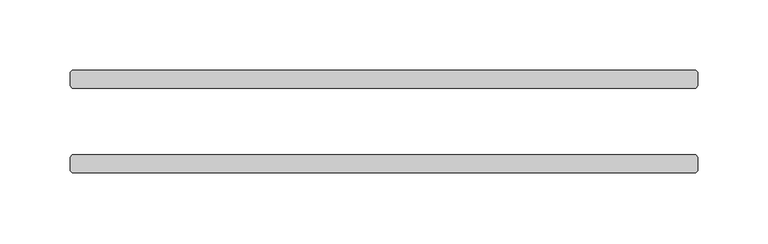
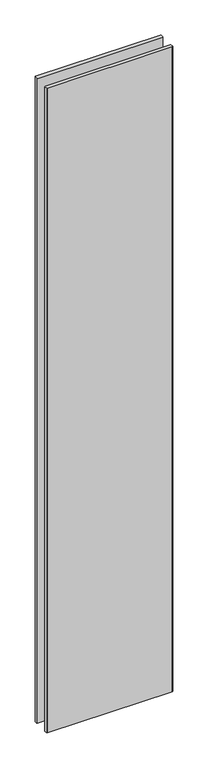
"""IFC4 building model written with IfcOpenShell, lengths in millimetres: plate geometry."""

import ifcopenshell
import ifcopenshell.guid

model = None  # the IFC model being written
_history = None  # IfcOwnerHistory: only IFC2X3 demands one
_inside = {}  # id of a spatial element -> (the spatial element, [elements in it])
_under = {}  # id of a project, library or spatial element -> (it, [spatial elements below it])
_declared = {}  # id of a project -> (the project, [libraries it declares])
_typed = {}  # id of a type object -> (the type object, [elements of that type])
_made_of = {}  # id of a material, layer set ... -> (it, [elements and type objects made of it])


def new_model(schema):
    """Start an empty IFC model of exactly this schema.

    Asked for "IFC4X3", IfcOpenShell would pick the latest addendum, in which some entities
    have other attributes; the version numbers below select the first issue.
    IFC2X3 requires an IfcOwnerHistory on every rooted entity: one is made here for all.
    """
    global model, _history
    if schema == "IFC4X3":
        model = ifcopenshell.file(schema_version=(4, 3, 0, 0))
    else:
        model = ifcopenshell.file(schema=schema)
    _inside.clear()
    _under.clear()
    _declared.clear()
    _typed.clear()
    _made_of.clear()
    _history = None
    if model.schema == "IFC2X3":
        org = make("IfcOrganization", Name="unknown")
        user = make(
            "IfcPersonAndOrganization",
            ThePerson=make("IfcPerson", FamilyName="unknown"),
            TheOrganization=org,
        )
        app = make(
            "IfcApplication",
            ApplicationDeveloper=org,
            Version="unknown",
            ApplicationFullName="unknown",
            ApplicationIdentifier="unknown",
        )
        _history = make(
            "IfcOwnerHistory",
            OwningUser=user,
            OwningApplication=app,
            ChangeAction="ADDED",
            CreationDate=0,
        )
    return model


def make(cls, **values):
    """One entity of the class cls with the attributes given. An attribute that is None is left unset."""
    return model.create_entity(
        cls, **{name: value for name, value in values.items() if value is not None}
    )


def rooted(cls, **values):
    """An entity with a GlobalId (a new one), such as an element, a storey or a relation."""
    return make(cls, GlobalId=ifcopenshell.guid.new(), OwnerHistory=_history, **values)


def si_unit(unit_type, name, prefix=None):
    """IfcSIUnit, for example si_unit("LENGTHUNIT", "METRE", prefix="MILLI")."""
    return make("IfcSIUnit", UnitType=unit_type, Prefix=prefix, Name=name)


def assignment(units):
    """IfcUnitAssignment: the units of a project."""
    return None if units is None else make("IfcUnitAssignment", Units=units)


def point(xyz):
    """IfcCartesianPoint."""
    return None if xyz is None else make("IfcCartesianPoint", Coordinates=xyz)


def direction(xyz):
    """IfcDirection."""
    return None if xyz is None else make("IfcDirection", DirectionRatios=xyz)


def frame(location, z_axis=None, x_axis=None):
    """IfcAxis2Placement3D, a coordinate frame: its origin and axes. An axis left out is left unset."""
    return make(
        "IfcAxis2Placement3D",
        Location=point(location),
        Axis=direction(z_axis),
        RefDirection=direction(x_axis),
    )


def origin():
    """The frame at (0, 0, 0) with its axes left unset."""
    return frame((0.0, 0.0, 0.0))


def origin_with_axes():
    """The frame at (0, 0, 0) with the z axis (0, 0, 1) and the x axis (1, 0, 0) written out."""
    return frame((0.0, 0.0, 0.0), z_axis=(0.0, 0.0, 1.0), x_axis=(1.0, 0.0, 0.0))


def place(relative_to, where):
    """IfcLocalPlacement: puts the frame where relative to a parent placement (None: the world)."""
    return make(
        "IfcLocalPlacement", PlacementRelTo=relative_to, RelativePlacement=where
    )


def context(
    kind, dimensions, precision=None, world=None, true_north=None, identifier=None
):
    """IfcGeometricRepresentationContext, for example the 3D "Model" context."""
    return make(
        "IfcGeometricRepresentationContext",
        ContextIdentifier=identifier,
        ContextType=kind,
        CoordinateSpaceDimension=dimensions,
        Precision=precision,
        WorldCoordinateSystem=world,
        TrueNorth=true_north,
    )


def project(units=None, contexts=None):
    """IfcProject with its units and contexts."""
    return rooted(
        "IfcProject",
        Name="project",
        RepresentationContexts=contexts,
        UnitsInContext=assignment(units),
    )


def spatial(cls, under=None, at=None, **own):
    """A site, building, storey or space (cls), placed at a placement, below another one or the project."""
    s = rooted(cls, ObjectPlacement=at, **own)
    if under is not None:
        _under.setdefault(under.id(), (under, []))[1].append(s)
    return s


def polyline(points):
    """IfcPolyline through the points."""
    return make("IfcPolyline", Points=[point(p) for p in points])


def outline(outer, holes=None, kind="AREA"):
    """IfcArbitraryClosedProfileDef: a profile drawn as a closed curve; with holes, ...WithVoids."""
    if holes is None:
        return make("IfcArbitraryClosedProfileDef", ProfileType=kind, OuterCurve=outer)
    return make(
        "IfcArbitraryProfileDefWithVoids",
        ProfileType=kind,
        OuterCurve=outer,
        InnerCurves=holes,
    )


def extrude(swept, where, along, depth):
    """IfcExtrudedAreaSolid: the profile swept, set in the frame where, extruded along a direction by depth."""
    return make(
        "IfcExtrudedAreaSolid",
        SweptArea=swept,
        Position=where,
        ExtrudedDirection=direction(along),
        Depth=depth,
    )


def shape(context_of_items, identifier, shape_type, items):
    """IfcShapeRepresentation: the items that make up one representation, for example the "Body"."""
    return make(
        "IfcShapeRepresentation",
        ContextOfItems=context_of_items,
        RepresentationIdentifier=identifier,
        RepresentationType=shape_type,
        Items=items,
    )


def source(mapping_origin, context_of_items, identifier, shape_type, items):
    """IfcRepresentationMap: a shape defined once, which mapped items show again and again."""
    return make(
        "IfcRepresentationMap",
        MappingOrigin=mapping_origin,
        MappedRepresentation=shape(context_of_items, identifier, shape_type, items),
    )


def transform(
    local_origin,
    x_axis=None,
    y_axis=None,
    z_axis=None,
    scale=None,
    scale2=None,
    scale3=None,
    uniform=True,
):
    """IfcCartesianTransformationOperator3D, or its non-uniform kind. x_axis, y_axis, z_axis: its Axis1, 2, 3."""
    if uniform:
        return make(
            "IfcCartesianTransformationOperator3D",
            Axis1=direction(x_axis),
            Axis2=direction(y_axis),
            LocalOrigin=point(local_origin),
            Scale=scale,
            Axis3=direction(z_axis),
        )
    return make(
        "IfcCartesianTransformationOperator3DnonUniform",
        Axis1=direction(x_axis),
        Axis2=direction(y_axis),
        LocalOrigin=point(local_origin),
        Scale=scale,
        Axis3=direction(z_axis),
        Scale2=scale2,
        Scale3=scale3,
    )


def mapped(mapping_source, mapping_target):
    """IfcMappedItem: shows the shape of a source again, moved by a transform."""
    return make(
        "IfcMappedItem", MappingSource=mapping_source, MappingTarget=mapping_target
    )


def made_of(thing, what):
    """Note that an element or type object is made of a material, layer set ...; save() writes the relation."""
    if what is not None:
        _made_of.setdefault(what.id(), (what, []))[1].append(thing)
    return thing


def element(
    cls,
    number,
    at=None,
    inside=None,
    cuts=None,
    type_object=None,
    material=None,
    context=None,
    identifier="Body",
    shape_type=None,
    held_by="IfcProductDefinitionShape",
    body=None,
    shapes=None,
    **own,
):
    """One element of the class cls, such as IfcWall. Its Tag is "e" and its number.

    at: its placement. inside: the storey or other place that contains it. cuts: it is an
    opening in that element (IfcRelVoidsElement). A single representation is given by context,
    identifier, shape_type and body (its items); several are given by shapes. held_by: the class
    of the entity that holds the representations. save() writes the other relations.
    """
    e = rooted(cls, Tag="e%d" % number, ObjectPlacement=at, **own)
    if body is not None:
        shapes = [shape(context, identifier, shape_type, body)]
    if shapes is not None:
        e.Representation = make(held_by, Representations=shapes)
    if inside is not None:
        _inside.setdefault(inside.id(), (inside, []))[1].append(e)
    if cuts is not None:
        rooted(
            "IfcRelVoidsElement", RelatingBuildingElement=cuts, RelatedOpeningElement=e
        )
    if type_object is not None:
        _typed.setdefault(type_object.id(), (type_object, []))[1].append(e)
    return made_of(e, material)


def aggregate(whole, parts):
    """IfcRelAggregates: a whole, such as a stair, and the parts it consists of."""
    return rooted("IfcRelAggregates", RelatingObject=whole, RelatedObjects=parts)


def save(model, path):
    """Write the relations noted so far, then the file.

    IfcRelAggregates (storeys below a building ...), IfcRelContainedInSpatialStructure (elements
    in a storey), IfcRelDefinesByType, IfcRelAssociatesMaterial and IfcRelDeclares: one each for
    every whole, place, type object, material and project.
    """
    for whole, parts in _under.values():
        aggregate(whole, parts)
    for where, things in _inside.values():
        rooted(
            "IfcRelContainedInSpatialStructure",
            RelatedElements=things,
            RelatingStructure=where,
        )
    for kind, things in _typed.values():
        rooted("IfcRelDefinesByType", RelatedObjects=things, RelatingType=kind)
    for what, things in _made_of.values():
        rooted("IfcRelAssociatesMaterial", RelatedObjects=things, RelatingMaterial=what)
    for by, libraries in _declared.values():
        rooted("IfcRelDeclares", RelatingContext=by, RelatedDefinitions=libraries)
    model.write(path)


def plate_0253abbd(model_context):
    return source(origin(), model_context, "Body", "SweptSolid", [
        extrude(outline(polyline([(221.853125, -23.8125), (223.440625, -25.4), (223.440625, -34.925), (221.853125, -36.5125), (-221.853125, -36.5125), (-223.440625, -34.925), (-223.440625, -25.4), (-221.853125, -23.8125), (221.853125, -23.8125)])), origin_with_axes(), (0.0, 0.0, 1.0), 2417.7625023),
        extrude(outline(polyline([(221.853125, 36.5125), (223.440625, 34.925), (223.440625, 25.4), (221.853125, 23.8125), (-221.853125, 23.8125), (-223.440625, 25.4), (-223.440625, 34.925), (-221.853125, 36.5125), (221.853125, 36.5125)])), origin_with_axes(), (0.0, 0.0, 1.0), 2417.7625023),
    ])


if __name__ == "__main__":
    model = new_model("IFC4")
    model_context = context("Model", 3, world=origin())
    ifc_project = project(units=[si_unit("LENGTHUNIT", "METRE", prefix="MILLI")], contexts=[model_context])
    site = spatial("IfcSite", under=ifc_project)
    building = spatial("IfcBuilding", under=site)
    placement = place(None, origin())
    plate_shape = plate_0253abbd(model_context)
    element("IfcPlate", 1, at=placement, inside=building, context=model_context, shape_type="MappedRepresentation", body=[
        mapped(plate_shape, transform((0.0, 0.0, 0.0), x_axis=(1.0, 0.0, 0.0), y_axis=(0.0, 1.0, 0.0), z_axis=(0.0, 0.0, 1.0))),
    ])
    save(model, "model.ifc")
